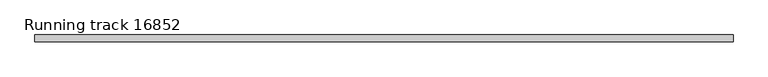
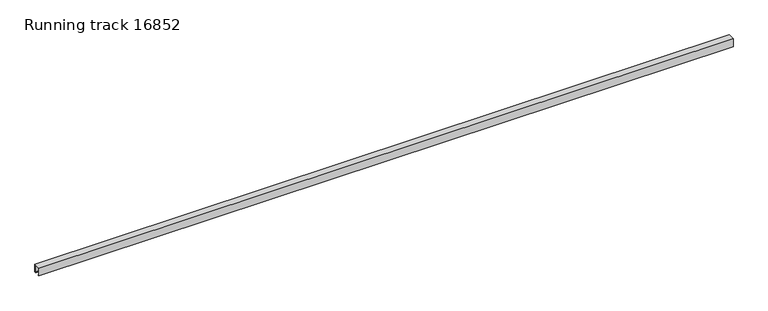
"""IFC4 building model written with IfcOpenShell, lengths in millimetres: proxy geometry, Running track 16852."""

from ifc_helpers import new_model, si_unit, frame, origin, place, context, project, spatial, polyline, outline, extrude, source, transform, mapped, element, save


def running_track_16852_b2b55a49(model_context):
    return source(origin(), model_context, "Body", "SweptSolid", [
        extrude(outline(polyline([(25.0, 0.0), (17.0, 0.0), (17.0, 3.0), (21.9166556, 3.0), (21.9166556, 55.0), (-22.0, 55.0), (-22.0, 3.0), (-17.0, 3.0), (-17.0, 0.0), (-25.0, 0.0), (-25.0, 58.0), (25.0, 58.0), (25.0, 0.0)])), frame((0.0, 0.0, 0.0), z_axis=(1.0, 0.0, 0.0), x_axis=(0.0, 1.0, 0.0)), (0.0, 0.0, 1.0), 4970.0),
    ])


if __name__ == "__main__":
    model = new_model("IFC4")
    model_context = context("Model", 3, world=origin())
    ifc_project = project(units=[si_unit("LENGTHUNIT", "METRE", prefix="MILLI")], contexts=[model_context])
    site = spatial("IfcSite", under=ifc_project)
    building = spatial("IfcBuilding", under=site)
    placement = place(None, origin())
    running_track_16852_shape = running_track_16852_b2b55a49(model_context)
    element("IfcBuildingElementProxy", 1, Name="Running track 16852", ObjectType="Running track 16852", at=placement, inside=building, context=model_context, shape_type="MappedRepresentation", body=[
        mapped(running_track_16852_shape, transform((0.0, 0.0, 0.0), x_axis=(1.0, 0.0, 0.0), y_axis=(0.0, 1.0, 0.0), z_axis=(0.0, 0.0, 1.0))),
    ])
    save(model, "model.ifc")
